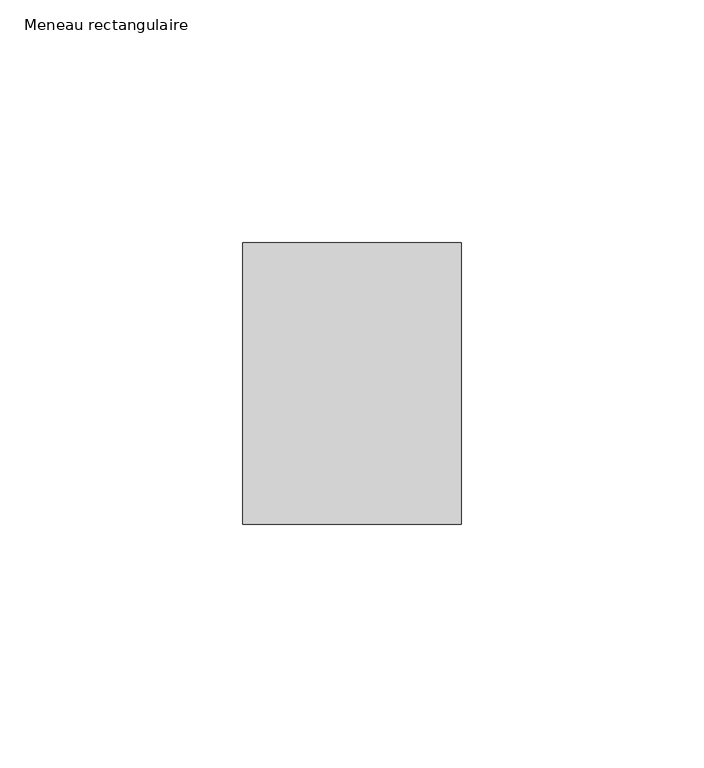
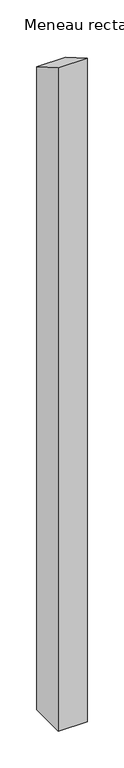
"""IFC4 building model written with IfcOpenShell, lengths in millimetres: member geometry, Meneau rectangulaire."""

from ifc_helpers import new_model, si_unit, frame, origin, place, context, project, spatial, polyline, outline, extrude, source, transform, mapped, element, save


def meneau_rectangulaire_92a8e0da(model_context):
    return source(origin(), model_context, "Body", "SweptSolid", [
        extrude(outline(polyline([(-29.0, 16.7431578), (29.0, -16.7431578), (29.0, -1081.5497356), (-29.0, -1081.5497356), (-29.0, 16.7431578)])), frame((-45.0, 0.0, 0.0), z_axis=(1.0, 0.0, 0.0), x_axis=(0.0, 1.0, 0.0)), (0.0, 0.0, 1.0), 45.0),
    ])


if __name__ == "__main__":
    model = new_model("IFC4")
    model_context = context("Model", 3, world=origin())
    ifc_project = project(units=[si_unit("LENGTHUNIT", "METRE", prefix="MILLI")], contexts=[model_context])
    site = spatial("IfcSite", under=ifc_project)
    building = spatial("IfcBuilding", under=site)
    placement = place(None, origin())
    meneau_rectangulaire_shape = meneau_rectangulaire_92a8e0da(model_context)
    element("IfcMember", 1, ObjectType="Meneau rectangulaire", at=placement, inside=building, context=model_context, shape_type="MappedRepresentation", body=[
        mapped(meneau_rectangulaire_shape, transform((0.0, 0.0, 0.0), x_axis=(1.0, 0.0, 0.0), y_axis=(0.0, 1.0, 0.0), z_axis=(0.0, 0.0, 1.0))),
    ])
    save(model, "model.ifc")
